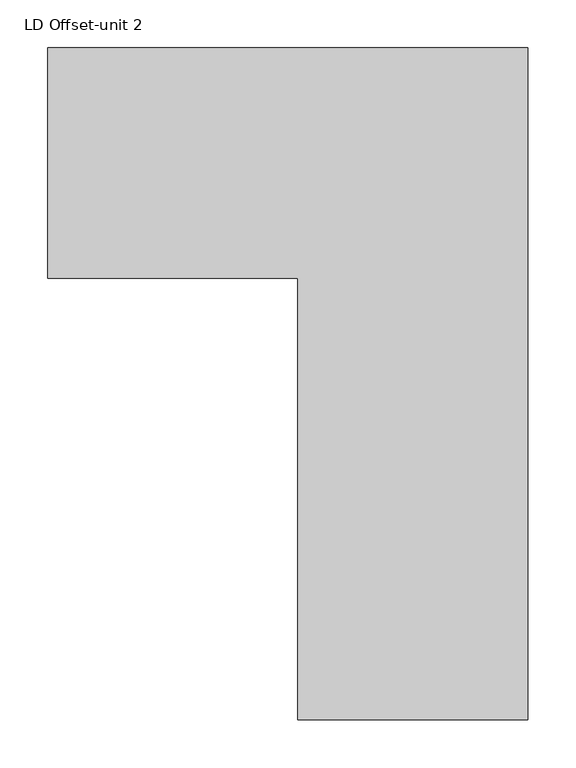
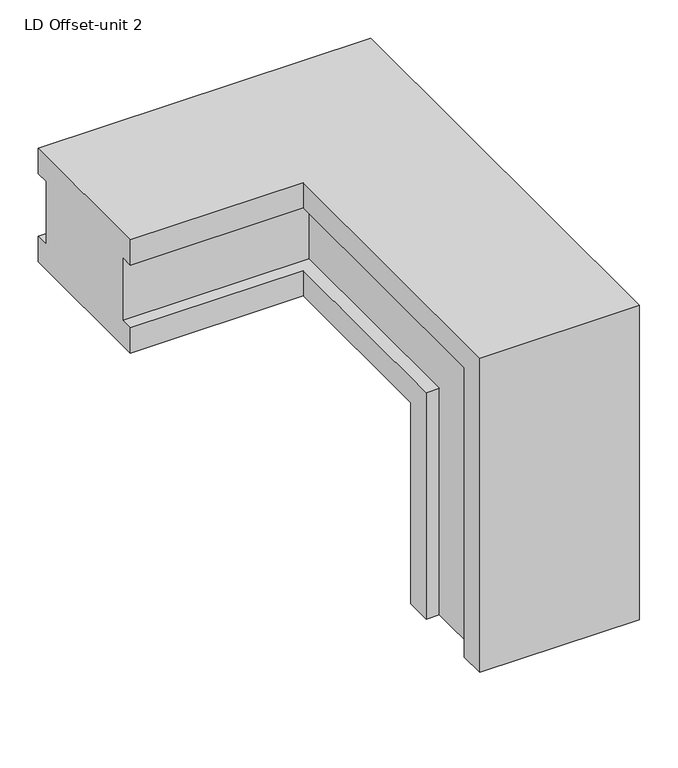
"""IFC4 building model written with IfcOpenShell, lengths in millimetres: proxy geometry, LD Offset-unit 2."""

from ifc_helpers import new_model, si_unit, origin, place, context, project, spatial, faceted_brep, source, transform, mapped, element, save


def ld_offset_unit_2_27f645a4(model_context):
    return source(origin(), model_context, "Body", "Brep", [
        faceted_brep([(0.0, 120.0, 180.0), (0.0, 120.0, 140.0), (0.0, 100.0, 140.0), (0.0, 100.0, 40.0), (0.0, 120.0, 40.0), (0.0, 120.0, 0.0), (0.0, -120.0, 0.0), (0.0, -120.0, 40.0), (0.0, -100.0, 40.0), (0.0, -100.0, 140.0), (0.0, -120.0, 140.0), (0.0, -120.0, 180.0), (500.0, 120.0, 180.0), (500.0, 120.0, 140.0), (480.0, 100.0, 140.0), (480.0, 100.0, 40.0), (500.0, 120.0, 40.0), (500.0, 120.0, 0.0), (260.0, -120.0, 0.0), (260.0, -120.0, 40.0), (280.0, -100.0, 40.0), (280.0, -100.0, 140.0), (260.0, -120.0, 140.0), (260.0, -120.0, 180.0), (500.0, -540.0, -320.0), (500.0, -580.0, -320.0), (260.0, -580.0, -320.0), (260.0, -540.0, -320.0), (280.0, -540.0, -320.0), (280.0, -440.0, -320.0), (260.0, -440.0, -320.0), (260.0, -400.0, -320.0), (500.0, -400.0, -320.0), (500.0, -440.0, -320.0), (480.0, -440.0, -320.0), (480.0, -540.0, -320.0), (500.0, -540.0, 140.0), (480.0, -540.0, 140.0), (480.0, -440.0, 40.0), (500.0, -440.0, 40.0), (260.0, -440.0, 40.0), (280.0, -440.0, 40.0), (280.0, -540.0, 140.0), (260.0, -540.0, 140.0), (260.0, -580.0, 180.0), (500.0, -580.0, 180.0), (260.0, -400.0, 0.0), (500.0, -400.0, 0.0)], [[[0, 1, 2, 3, 4, 5, 6, 7, 8, 9, 10, 11]], [[1, 0, 12, 13]], [[3, 2, 14, 15]], [[5, 4, 16, 17]], [[7, 6, 18, 19]], [[9, 8, 20, 21]], [[11, 10, 22, 23]], [[24, 25, 26, 27, 28, 29, 30, 31, 32, 33, 34, 35]], [[36, 37, 14, 2, 1, 13]], [[38, 39, 16, 4, 3, 15]], [[40, 41, 20, 8, 7, 19]], [[42, 43, 22, 10, 9, 21]], [[44, 45, 12, 0, 11, 23]], [[25, 24, 36, 13, 12, 45]], [[26, 25, 45, 44]], [[27, 26, 44, 23, 22, 43]], [[28, 27, 43, 42]], [[29, 28, 42, 21, 20, 41]], [[30, 29, 41, 40]], [[31, 30, 40, 19, 18, 46]], [[32, 31, 46, 47]], [[33, 32, 47, 17, 16, 39]], [[34, 33, 39, 38]], [[35, 34, 38, 15, 14, 37]], [[24, 35, 37, 36]], [[47, 46, 18, 6, 5, 17]]]),
    ])


if __name__ == "__main__":
    model = new_model("IFC4")
    model_context = context("Model", 3, world=origin())
    ifc_project = project(units=[si_unit("LENGTHUNIT", "METRE", prefix="MILLI")], contexts=[model_context])
    site = spatial("IfcSite", under=ifc_project)
    building = spatial("IfcBuilding", under=site)
    placement = place(None, origin())
    ld_offset_unit_2_shape = ld_offset_unit_2_27f645a4(model_context)
    element("IfcBuildingElementProxy", 1, Name="LD Offset-unit 2", ObjectType="LD Offset-unit 2", at=placement, inside=building, context=model_context, shape_type="MappedRepresentation", body=[
        mapped(ld_offset_unit_2_shape, transform((0.0, 0.0, 0.0), x_axis=(1.0, 0.0, 0.0), y_axis=(0.0, 1.0, 0.0), z_axis=(0.0, 0.0, 1.0))),
    ])
    save(model, "model.ifc")
